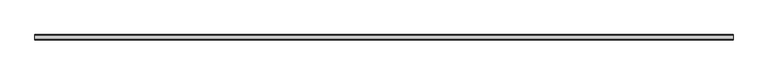
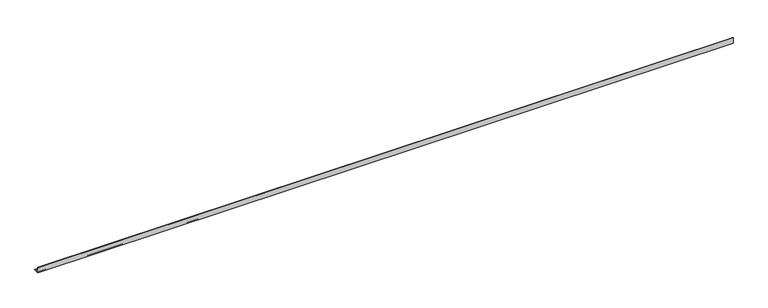
"""IFC4 building model written with IfcOpenShell, lengths in millimetres: beam geometry."""

from ifc_helpers import new_model, si_unit, point, frame, frame_2d, origin, place, context, project, spatial, polyline, circle_curve, trimmed, segment, composite_curve, outline, extrude, source, transform, mapped, element, save


def beam_48ea6fcf(model_context):
    return source(origin(), model_context, "Body", "SweptSolid", [
        extrude(outline(composite_curve([segment(polyline([(-21.3, -21.3), (-21.3, 53.7), (-18.3, 53.7)]), True, "CONTINUOUS"), segment(trimmed(circle_curve(frame_2d((-18.3, 48.7)), 5.0), [point((-18.3, 53.7))], [point((-13.3, 48.7))], False, "CARTESIAN"), True, "CONTINUOUS"), segment(polyline([(-13.3, 48.7), (-13.3, -5.3)]), True, "CONTINUOUS"), segment(trimmed(circle_curve(frame_2d((-5.3, -5.3)), 8.0), [point((-13.3, -5.3))], [point((-5.3, -13.3))], True, "CARTESIAN"), True, "CONTINUOUS"), segment(polyline([(-5.3, -13.3), (48.7, -13.3)]), True, "CONTINUOUS"), segment(trimmed(circle_curve(frame_2d((48.7, -18.3)), 5.0), [point((48.7, -13.3))], [point((53.7, -18.3))], False, "CARTESIAN"), True, "CONTINUOUS"), segment(polyline([(53.7, -18.3), (53.7, -21.3), (-21.3, -21.3)]), True, "CONTINUOUS")], self_intersect=False)), frame((-4899.5, 0.0, 0.0), z_axis=(1.0, 0.0, 0.0), x_axis=(0.0, 1.0, 0.0)), (0.0, 0.0, 1.0), 9769.0),
    ])


if __name__ == "__main__":
    model = new_model("IFC4")
    model_context = context("Model", 3, world=origin())
    ifc_project = project(units=[si_unit("LENGTHUNIT", "METRE", prefix="MILLI")], contexts=[model_context])
    site = spatial("IfcSite", under=ifc_project)
    building = spatial("IfcBuilding", under=site)
    placement = place(None, origin())
    beam_shape = beam_48ea6fcf(model_context)
    element("IfcBeam", 1, at=placement, inside=building, context=model_context, shape_type="MappedRepresentation", body=[
        mapped(beam_shape, transform((0.0, 0.0, 0.0), x_axis=(1.0, 0.0, 0.0), y_axis=(0.0, 1.0, 0.0), z_axis=(0.0, 0.0, 1.0))),
    ])
    save(model, "model.ifc")
